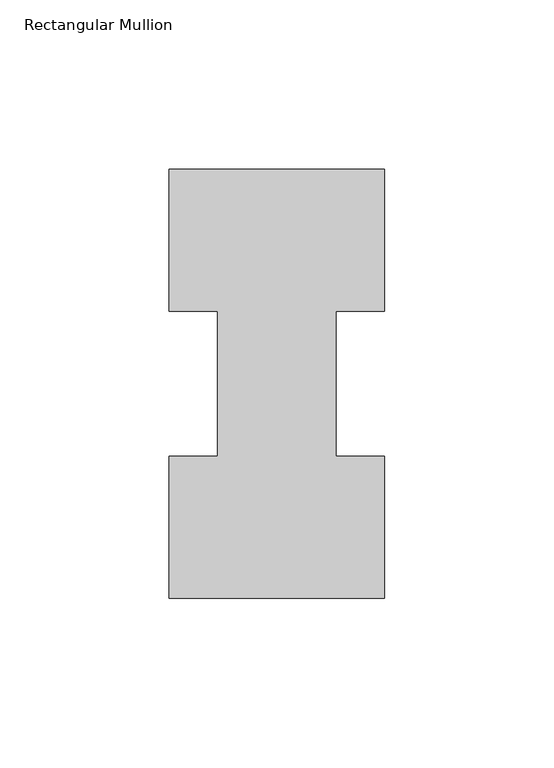
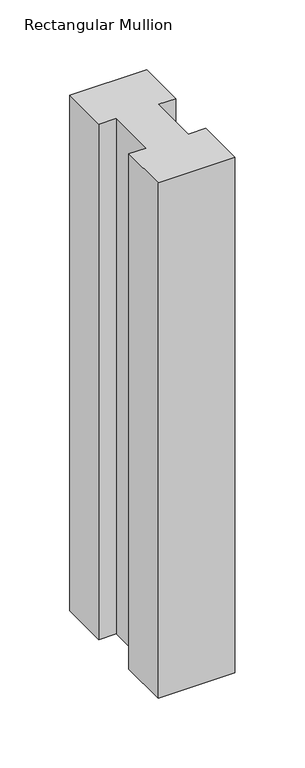
"""IFC4 building model written with IfcOpenShell, lengths in millimetres: member geometry, Rectangular Mullion."""

from ifc_helpers import new_model, si_unit, frame, origin, place, context, project, spatial, polyline, outline, extrude, source, transform, mapped, element, save


def rectangular_mullion_86547829(model_context):
    return source(origin(), model_context, "Body", "SweptSolid", [
        extrude(outline(polyline([(-63.5, 0.2967757), (-63.5, 42.1178757), (-49.2125, 42.1178757), (-49.2125, 84.93125), (-63.5, 84.93125), (-63.5, 126.7887757), (0.0, 126.7887757), (0.0, 84.93125), (-14.2748, 84.93125), (-14.2748, 42.1178757), (0.0, 42.1178757), (0.0, 0.2967757), (-63.5, 0.2967757)])), frame((0.0, 0.0, -450.85), z_axis=(0.0, 0.0, 1.0), x_axis=(1.0, 0.0, 0.0)), (0.0, 0.0, 1.0), 450.85),
    ])


if __name__ == "__main__":
    model = new_model("IFC4")
    model_context = context("Model", 3, world=origin())
    ifc_project = project(units=[si_unit("LENGTHUNIT", "METRE", prefix="MILLI")], contexts=[model_context])
    site = spatial("IfcSite", under=ifc_project)
    building = spatial("IfcBuilding", under=site)
    placement = place(None, origin())
    rectangular_mullion_shape = rectangular_mullion_86547829(model_context)
    element("IfcMember", 1, ObjectType="Rectangular Mullion", at=placement, inside=building, context=model_context, shape_type="MappedRepresentation", body=[
        mapped(rectangular_mullion_shape, transform((0.0, 0.0, 0.0), x_axis=(1.0, 0.0, 0.0), y_axis=(0.0, 1.0, 0.0), z_axis=(0.0, 0.0, 1.0))),
    ])
    save(model, "model.ifc")
